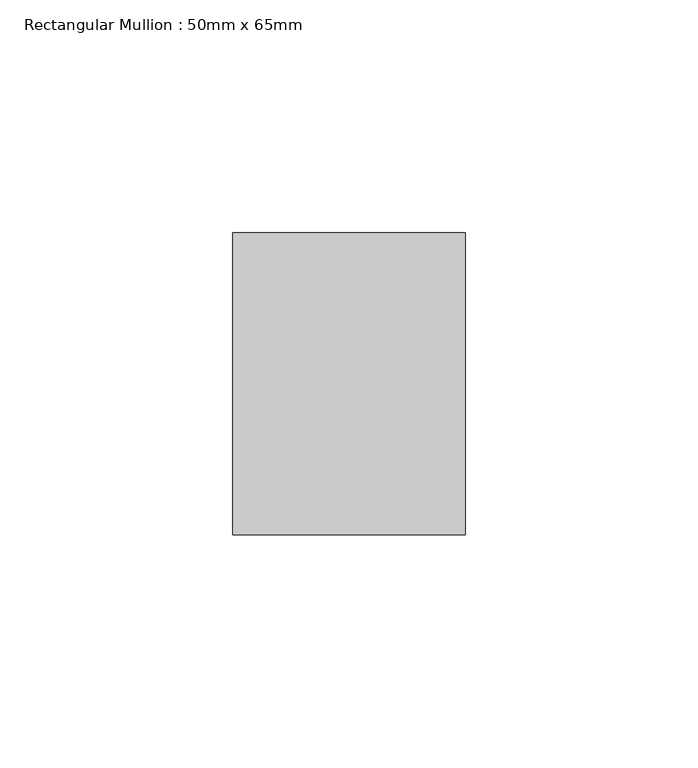
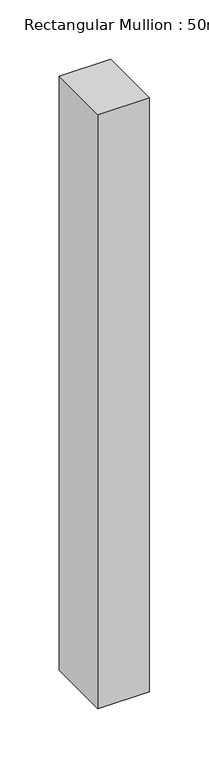
"""IFC4 building model written with IfcOpenShell, lengths in millimetres: member geometry, Rectangular Mullion : 50mm x 65mm."""

from ifc_helpers import new_model, si_unit, frame, origin, place, context, project, spatial, polyline, outline, extrude, source, transform, mapped, element, save


def rectangular_mullion_50mm_x_65mm_e924340f(model_context):
    return source(origin(), model_context, "Body", "SweptSolid", [
        extrude(outline(polyline([(25.0, 32.5), (25.0, -32.5), (-25.0, -32.5), (-25.0, 32.5), (25.0, 32.5)])), frame((0.0, 0.0, -610.7644857), z_axis=(0.0, 0.0, 1.0), x_axis=(1.0, 0.0, 0.0)), (0.0, 0.0, 1.0), 610.7644857),
    ])


if __name__ == "__main__":
    model = new_model("IFC4")
    model_context = context("Model", 3, world=origin())
    ifc_project = project(units=[si_unit("LENGTHUNIT", "METRE", prefix="MILLI")], contexts=[model_context])
    site = spatial("IfcSite", under=ifc_project)
    building = spatial("IfcBuilding", under=site)
    placement = place(None, origin())
    rectangular_mullion_50mm_x_65mm_shape = rectangular_mullion_50mm_x_65mm_e924340f(model_context)
    element("IfcMember", 1, ObjectType="Rectangular Mullion : 50mm x 65mm", at=placement, inside=building, context=model_context, shape_type="MappedRepresentation", body=[
        mapped(rectangular_mullion_50mm_x_65mm_shape, transform((0.0, 0.0, 0.0), x_axis=(1.0, 0.0, 0.0), y_axis=(0.0, 1.0, 0.0), z_axis=(0.0, 0.0, 1.0))),
    ])
    save(model, "model.ifc")
